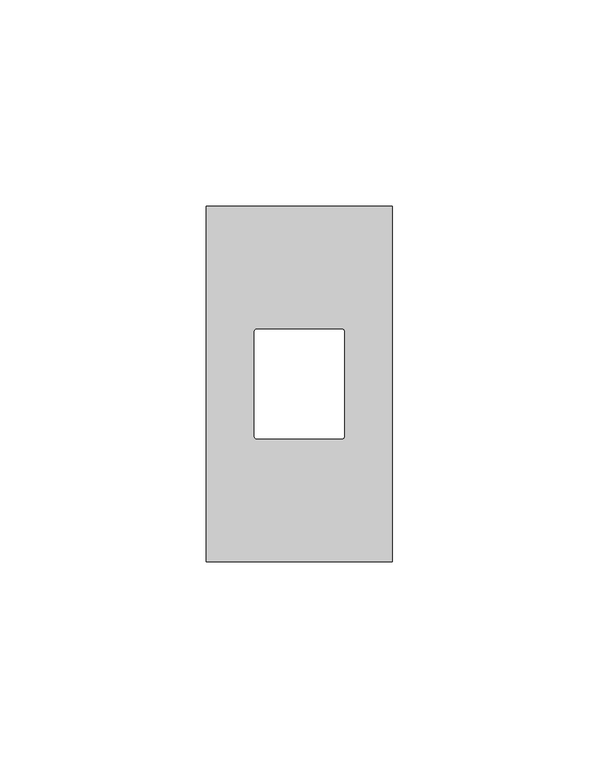
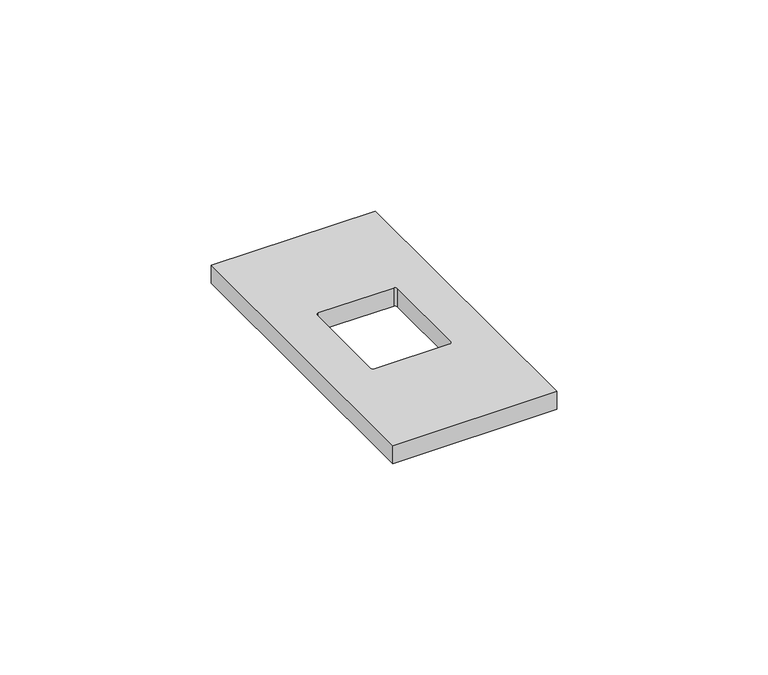
"""IFC4 building model written with IfcOpenShell, lengths in millimetres: proxy geometry."""

import ifcopenshell
import ifcopenshell.guid

model = None  # the IFC model being written
_history = None  # IfcOwnerHistory: only IFC2X3 demands one
_inside = {}  # id of a spatial element -> (the spatial element, [elements in it])
_under = {}  # id of a project, library or spatial element -> (it, [spatial elements below it])
_declared = {}  # id of a project -> (the project, [libraries it declares])
_typed = {}  # id of a type object -> (the type object, [elements of that type])
_made_of = {}  # id of a material, layer set ... -> (it, [elements and type objects made of it])


def new_model(schema):
    """Start an empty IFC model of exactly this schema.

    Asked for "IFC4X3", IfcOpenShell would pick the latest addendum, in which some entities
    have other attributes; the version numbers below select the first issue.
    IFC2X3 requires an IfcOwnerHistory on every rooted entity: one is made here for all.
    """
    global model, _history
    if schema == "IFC4X3":
        model = ifcopenshell.file(schema_version=(4, 3, 0, 0))
    else:
        model = ifcopenshell.file(schema=schema)
    _inside.clear()
    _under.clear()
    _declared.clear()
    _typed.clear()
    _made_of.clear()
    _history = None
    if model.schema == "IFC2X3":
        org = make("IfcOrganization", Name="unknown")
        user = make(
            "IfcPersonAndOrganization",
            ThePerson=make("IfcPerson", FamilyName="unknown"),
            TheOrganization=org,
        )
        app = make(
            "IfcApplication",
            ApplicationDeveloper=org,
            Version="unknown",
            ApplicationFullName="unknown",
            ApplicationIdentifier="unknown",
        )
        _history = make(
            "IfcOwnerHistory",
            OwningUser=user,
            OwningApplication=app,
            ChangeAction="ADDED",
            CreationDate=0,
        )
    return model


def make(cls, **values):
    """One entity of the class cls with the attributes given. An attribute that is None is left unset."""
    return model.create_entity(
        cls, **{name: value for name, value in values.items() if value is not None}
    )


def rooted(cls, **values):
    """An entity with a GlobalId (a new one), such as an element, a storey or a relation."""
    return make(cls, GlobalId=ifcopenshell.guid.new(), OwnerHistory=_history, **values)


def si_unit(unit_type, name, prefix=None):
    """IfcSIUnit, for example si_unit("LENGTHUNIT", "METRE", prefix="MILLI")."""
    return make("IfcSIUnit", UnitType=unit_type, Prefix=prefix, Name=name)


def assignment(units):
    """IfcUnitAssignment: the units of a project."""
    return None if units is None else make("IfcUnitAssignment", Units=units)


def point(xyz):
    """IfcCartesianPoint."""
    return None if xyz is None else make("IfcCartesianPoint", Coordinates=xyz)


def direction(xyz):
    """IfcDirection."""
    return None if xyz is None else make("IfcDirection", DirectionRatios=xyz)


def frame(location, z_axis=None, x_axis=None):
    """IfcAxis2Placement3D, a coordinate frame: its origin and axes. An axis left out is left unset."""
    return make(
        "IfcAxis2Placement3D",
        Location=point(location),
        Axis=direction(z_axis),
        RefDirection=direction(x_axis),
    )


def frame_2d(location, x_axis=None):
    """IfcAxis2Placement2D, a coordinate frame in the plane: its origin and x axis."""
    return make(
        "IfcAxis2Placement2D", Location=point(location), RefDirection=direction(x_axis)
    )


def origin():
    """The frame at (0, 0, 0) with its axes left unset."""
    return frame((0.0, 0.0, 0.0))


def place(relative_to, where):
    """IfcLocalPlacement: puts the frame where relative to a parent placement (None: the world)."""
    return make(
        "IfcLocalPlacement", PlacementRelTo=relative_to, RelativePlacement=where
    )


def context(
    kind, dimensions, precision=None, world=None, true_north=None, identifier=None
):
    """IfcGeometricRepresentationContext, for example the 3D "Model" context."""
    return make(
        "IfcGeometricRepresentationContext",
        ContextIdentifier=identifier,
        ContextType=kind,
        CoordinateSpaceDimension=dimensions,
        Precision=precision,
        WorldCoordinateSystem=world,
        TrueNorth=true_north,
    )


def project(units=None, contexts=None):
    """IfcProject with its units and contexts."""
    return rooted(
        "IfcProject",
        Name="project",
        RepresentationContexts=contexts,
        UnitsInContext=assignment(units),
    )


def spatial(cls, under=None, at=None, **own):
    """A site, building, storey or space (cls), placed at a placement, below another one or the project."""
    s = rooted(cls, ObjectPlacement=at, **own)
    if under is not None:
        _under.setdefault(under.id(), (under, []))[1].append(s)
    return s


def polyline(points):
    """IfcPolyline through the points."""
    return make("IfcPolyline", Points=[point(p) for p in points])


def circle_curve(where, radius):
    """IfcCircle in the frame where."""
    return make("IfcCircle", Position=where, Radius=radius)


def trimmed(basis, trim1, trim2, sense, master):
    """IfcTrimmedCurve: the piece of a basis curve between two trims."""
    return make(
        "IfcTrimmedCurve",
        BasisCurve=basis,
        Trim1=trim1,
        Trim2=trim2,
        SenseAgreement=sense,
        MasterRepresentation=master,
    )


def segment(curve, same_sense, transition):
    """IfcCompositeCurveSegment."""
    return make(
        "IfcCompositeCurveSegment",
        Transition=transition,
        SameSense=same_sense,
        ParentCurve=curve,
    )


def composite_curve(segments, self_intersect=None):
    """IfcCompositeCurve: segments joined end to end."""
    return make("IfcCompositeCurve", Segments=segments, SelfIntersect=self_intersect)


def outline(outer, holes=None, kind="AREA"):
    """IfcArbitraryClosedProfileDef: a profile drawn as a closed curve; with holes, ...WithVoids."""
    if holes is None:
        return make("IfcArbitraryClosedProfileDef", ProfileType=kind, OuterCurve=outer)
    return make(
        "IfcArbitraryProfileDefWithVoids",
        ProfileType=kind,
        OuterCurve=outer,
        InnerCurves=holes,
    )


def extrude(swept, where, along, depth):
    """IfcExtrudedAreaSolid: the profile swept, set in the frame where, extruded along a direction by depth."""
    return make(
        "IfcExtrudedAreaSolid",
        SweptArea=swept,
        Position=where,
        ExtrudedDirection=direction(along),
        Depth=depth,
    )


def shape(context_of_items, identifier, shape_type, items):
    """IfcShapeRepresentation: the items that make up one representation, for example the "Body"."""
    return make(
        "IfcShapeRepresentation",
        ContextOfItems=context_of_items,
        RepresentationIdentifier=identifier,
        RepresentationType=shape_type,
        Items=items,
    )


def source(mapping_origin, context_of_items, identifier, shape_type, items):
    """IfcRepresentationMap: a shape defined once, which mapped items show again and again."""
    return make(
        "IfcRepresentationMap",
        MappingOrigin=mapping_origin,
        MappedRepresentation=shape(context_of_items, identifier, shape_type, items),
    )


def transform(
    local_origin,
    x_axis=None,
    y_axis=None,
    z_axis=None,
    scale=None,
    scale2=None,
    scale3=None,
    uniform=True,
):
    """IfcCartesianTransformationOperator3D, or its non-uniform kind. x_axis, y_axis, z_axis: its Axis1, 2, 3."""
    if uniform:
        return make(
            "IfcCartesianTransformationOperator3D",
            Axis1=direction(x_axis),
            Axis2=direction(y_axis),
            LocalOrigin=point(local_origin),
            Scale=scale,
            Axis3=direction(z_axis),
        )
    return make(
        "IfcCartesianTransformationOperator3DnonUniform",
        Axis1=direction(x_axis),
        Axis2=direction(y_axis),
        LocalOrigin=point(local_origin),
        Scale=scale,
        Axis3=direction(z_axis),
        Scale2=scale2,
        Scale3=scale3,
    )


def mapped(mapping_source, mapping_target):
    """IfcMappedItem: shows the shape of a source again, moved by a transform."""
    return make(
        "IfcMappedItem", MappingSource=mapping_source, MappingTarget=mapping_target
    )


def made_of(thing, what):
    """Note that an element or type object is made of a material, layer set ...; save() writes the relation."""
    if what is not None:
        _made_of.setdefault(what.id(), (what, []))[1].append(thing)
    return thing


def element(
    cls,
    number,
    at=None,
    inside=None,
    cuts=None,
    type_object=None,
    material=None,
    context=None,
    identifier="Body",
    shape_type=None,
    held_by="IfcProductDefinitionShape",
    body=None,
    shapes=None,
    **own,
):
    """One element of the class cls, such as IfcWall. Its Tag is "e" and its number.

    at: its placement. inside: the storey or other place that contains it. cuts: it is an
    opening in that element (IfcRelVoidsElement). A single representation is given by context,
    identifier, shape_type and body (its items); several are given by shapes. held_by: the class
    of the entity that holds the representations. save() writes the other relations.
    """
    e = rooted(cls, Tag="e%d" % number, ObjectPlacement=at, **own)
    if body is not None:
        shapes = [shape(context, identifier, shape_type, body)]
    if shapes is not None:
        e.Representation = make(held_by, Representations=shapes)
    if inside is not None:
        _inside.setdefault(inside.id(), (inside, []))[1].append(e)
    if cuts is not None:
        rooted(
            "IfcRelVoidsElement", RelatingBuildingElement=cuts, RelatedOpeningElement=e
        )
    if type_object is not None:
        _typed.setdefault(type_object.id(), (type_object, []))[1].append(e)
    return made_of(e, material)


def aggregate(whole, parts):
    """IfcRelAggregates: a whole, such as a stair, and the parts it consists of."""
    return rooted("IfcRelAggregates", RelatingObject=whole, RelatedObjects=parts)


def save(model, path):
    """Write the relations noted so far, then the file.

    IfcRelAggregates (storeys below a building ...), IfcRelContainedInSpatialStructure (elements
    in a storey), IfcRelDefinesByType, IfcRelAssociatesMaterial and IfcRelDeclares: one each for
    every whole, place, type object, material and project.
    """
    for whole, parts in _under.values():
        aggregate(whole, parts)
    for where, things in _inside.values():
        rooted(
            "IfcRelContainedInSpatialStructure",
            RelatedElements=things,
            RelatingStructure=where,
        )
    for kind, things in _typed.values():
        rooted("IfcRelDefinesByType", RelatedObjects=things, RelatingType=kind)
    for what, things in _made_of.values():
        rooted("IfcRelAssociatesMaterial", RelatedObjects=things, RelatingMaterial=what)
    for by, libraries in _declared.values():
        rooted("IfcRelDeclares", RelatingContext=by, RelatedDefinitions=libraries)
    model.write(path)


def electrical_fixtures_e361dc9b(model_context):
    return source(origin(), model_context, "Body", "SweptSolid", [
        extrude(outline(polyline([(0.0, 0.0), (0.0, 86.0), (45.0, 86.0), (45.0, 0.0), (0.0, 0.0)]), holes=[composite_curve([segment(trimmed(circle_curve(frame_2d((12.2020695, 55.6979305)), 0.6020695), [point((12.2020695, 56.3))], [point((11.6, 55.6979305))], True, "CARTESIAN"), True, "CONTINUOUS"), segment(polyline([(11.6, 55.6979305), (11.6, 30.3020695)]), True, "CONTINUOUS"), segment(trimmed(circle_curve(frame_2d((12.2020695, 30.3020695)), 0.6020695), [point((11.6, 30.3020695))], [point((12.2020695, 29.7))], True, "CARTESIAN"), True, "CONTINUOUS"), segment(polyline([(12.2020695, 29.7), (32.7979305, 29.7)]), True, "CONTINUOUS"), segment(trimmed(circle_curve(frame_2d((32.7979305, 30.3020695)), 0.6020695), [point((32.7979305, 29.7))], [point((33.4, 30.3020695))], True, "CARTESIAN"), True, "CONTINUOUS"), segment(polyline([(33.4, 30.3020695), (33.4, 55.6979305)]), True, "CONTINUOUS"), segment(trimmed(circle_curve(frame_2d((32.7979305, 55.6979305)), 0.6020695), [point((33.4, 55.6979305))], [point((32.7979305, 56.3))], True, "CARTESIAN"), True, "CONTINUOUS"), segment(polyline([(32.7979305, 56.3), (12.2020695, 56.3)]), True, "CONTINUOUS")], self_intersect=False)]), frame((0.0, 0.0, 5.5), z_axis=(0.0, 0.0, 1.0), x_axis=(1.0, 0.0, 0.0)), (0.0, 0.0, 1.0), 5.2),
    ])


if __name__ == "__main__":
    model = new_model("IFC4")
    model_context = context("Model", 3, world=origin())
    ifc_project = project(units=[si_unit("LENGTHUNIT", "METRE", prefix="MILLI")], contexts=[model_context])
    site = spatial("IfcSite", under=ifc_project)
    building = spatial("IfcBuilding", under=site)
    placement = place(None, origin())
    electrical_fixtures_shape = electrical_fixtures_e361dc9b(model_context)
    element("IfcBuildingElementProxy", 1, Name="Electrical Fixtures", at=placement, inside=building, context=model_context, shape_type="MappedRepresentation", body=[
        mapped(electrical_fixtures_shape, transform((0.0, 0.0, 0.0), x_axis=(1.0, 0.0, 0.0), y_axis=(0.0, 1.0, 0.0), z_axis=(0.0, 0.0, 1.0))),
    ])
    save(model, "model.ifc")
